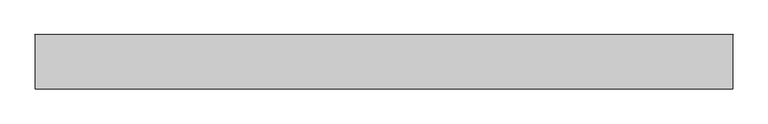
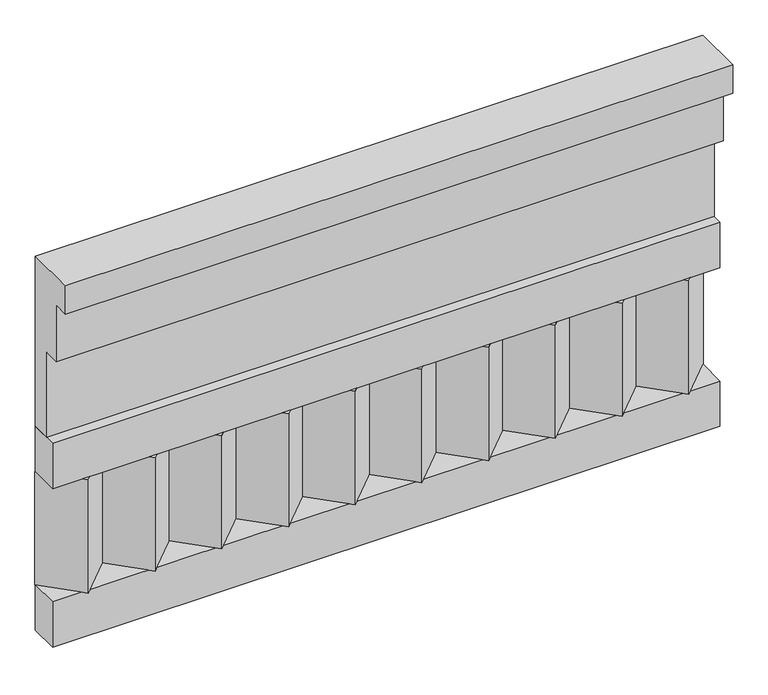
"""IFC4 building model written with IfcOpenShell, lengths in millimetres: railing geometry."""

from ifc_helpers import new_model, si_unit, frame, origin, place, context, project, spatial, polyline, outline, extrude, source, transform, mapped, element, save


def railing_ef29f3e1(model_context):
    return source(origin(), model_context, "Body", "SweptSolid", [
        extrude(outline(polyline([(-16816.8920513, 18500.0), (-16816.8920513, 18050.0), (-16866.8920513, 18050.0), (-16866.8920513, 18275.0), (-16906.8920513, 18275.0), (-16906.8920513, 18425.0), (-16946.8920513, 18425.0), (-16946.8920513, 18500.0), (-16816.8920513, 18500.0)])), frame((29560.0112841, 0.0, 0.0), z_axis=(1.0, 0.0, 0.0), x_axis=(0.0, 1.0, 0.0)), (0.0, 0.0, 1.0), 1670.0),
        extrude(outline(polyline([(29560.0112841, -16891.8920513), (29560.0112841, -16816.8920513), (31230.0112841, -16816.8920513), (31230.0112841, -16891.8920513), (29560.0112841, -16891.8920513)])), frame((0.0, 0.0, 17930.0), z_axis=(0.0, 0.0, 1.0), x_axis=(1.0, 0.0, 0.0)), (0.0, 0.0, 1.0), 120.0),
        extrude(outline(polyline([(29560.0112841, -16891.8920513), (29560.0112841, -16816.8920513), (31230.0112841, -16816.8920513), (31230.0112841, -16891.8920513), (29560.0112841, -16891.8920513)])), frame((0.0, 0.0, 17510.0), z_axis=(0.0, 0.0, 1.0), x_axis=(1.0, 0.0, 0.0)), (0.0, 0.0, 1.0), 120.0),
        extrude(outline(polyline([(31146.5112841, -16901.7448651), (31061.6584704, -16816.8920513), (31231.3640978, -16816.8920513), (31146.5112841, -16901.7448651)])), frame((0.0, 0.0, 17630.0), z_axis=(0.0, 0.0, 1.0), x_axis=(1.0, 0.0, 0.0)), (0.0, 0.0, 1.0), 300.0),
        extrude(outline(polyline([(30979.5112841, -16901.7448651), (30894.6584704, -16816.8920513), (31064.3640978, -16816.8920513), (30979.5112841, -16901.7448651)])), frame((0.0, 0.0, 17630.0), z_axis=(0.0, 0.0, 1.0), x_axis=(1.0, 0.0, 0.0)), (0.0, 0.0, 1.0), 300.0),
        extrude(outline(polyline([(30812.5112841, -16901.7448651), (30727.6584704, -16816.8920513), (30897.3640978, -16816.8920513), (30812.5112841, -16901.7448651)])), frame((0.0, 0.0, 17630.0), z_axis=(0.0, 0.0, 1.0), x_axis=(1.0, 0.0, 0.0)), (0.0, 0.0, 1.0), 300.0),
        extrude(outline(polyline([(30645.5112841, -16901.7448651), (30560.6584704, -16816.8920513), (30730.3640978, -16816.8920513), (30645.5112841, -16901.7448651)])), frame((0.0, 0.0, 17630.0), z_axis=(0.0, 0.0, 1.0), x_axis=(1.0, 0.0, 0.0)), (0.0, 0.0, 1.0), 300.0),
        extrude(outline(polyline([(30478.5112841, -16901.7448651), (30393.6584704, -16816.8920513), (30563.3640978, -16816.8920513), (30478.5112841, -16901.7448651)])), frame((0.0, 0.0, 17630.0), z_axis=(0.0, 0.0, 1.0), x_axis=(1.0, 0.0, 0.0)), (0.0, 0.0, 1.0), 300.0),
        extrude(outline(polyline([(30311.5112841, -16901.7448651), (30226.6584704, -16816.8920513), (30396.3640978, -16816.8920513), (30311.5112841, -16901.7448651)])), frame((0.0, 0.0, 17630.0), z_axis=(0.0, 0.0, 1.0), x_axis=(1.0, 0.0, 0.0)), (0.0, 0.0, 1.0), 300.0),
        extrude(outline(polyline([(30144.5112841, -16901.7448651), (30059.6584704, -16816.8920513), (30229.3640978, -16816.8920513), (30144.5112841, -16901.7448651)])), frame((0.0, 0.0, 17630.0), z_axis=(0.0, 0.0, 1.0), x_axis=(1.0, 0.0, 0.0)), (0.0, 0.0, 1.0), 300.0),
        extrude(outline(polyline([(29977.5112841, -16901.7448651), (29892.6584704, -16816.8920513), (30062.3640978, -16816.8920513), (29977.5112841, -16901.7448651)])), frame((0.0, 0.0, 17630.0), z_axis=(0.0, 0.0, 1.0), x_axis=(1.0, 0.0, 0.0)), (0.0, 0.0, 1.0), 300.0),
        extrude(outline(polyline([(29810.5112841, -16901.7448651), (29725.6584704, -16816.8920513), (29895.3640978, -16816.8920513), (29810.5112841, -16901.7448651)])), frame((0.0, 0.0, 17630.0), z_axis=(0.0, 0.0, 1.0), x_axis=(1.0, 0.0, 0.0)), (0.0, 0.0, 1.0), 300.0),
        extrude(outline(polyline([(29643.5112841, -16901.7448651), (29558.6584704, -16816.8920513), (29728.3640978, -16816.8920513), (29643.5112841, -16901.7448651)])), frame((0.0, 0.0, 17630.0), z_axis=(0.0, 0.0, 1.0), x_axis=(1.0, 0.0, 0.0)), (0.0, 0.0, 1.0), 300.0),
    ])


if __name__ == "__main__":
    model = new_model("IFC4")
    model_context = context("Model", 3, world=origin())
    ifc_project = project(units=[si_unit("LENGTHUNIT", "METRE", prefix="MILLI")], contexts=[model_context])
    site = spatial("IfcSite", under=ifc_project)
    building = spatial("IfcBuilding", under=site)
    placement = place(None, origin())
    railing_shape = railing_ef29f3e1(model_context)
    element("IfcRailing", 1, at=placement, inside=building, context=model_context, shape_type="MappedRepresentation", body=[
        mapped(railing_shape, transform((0.0, 0.0, 0.0), x_axis=(1.0, 0.0, 0.0), y_axis=(0.0, 1.0, 0.0), z_axis=(0.0, 0.0, 1.0))),
    ])
    save(model, "model.ifc")
